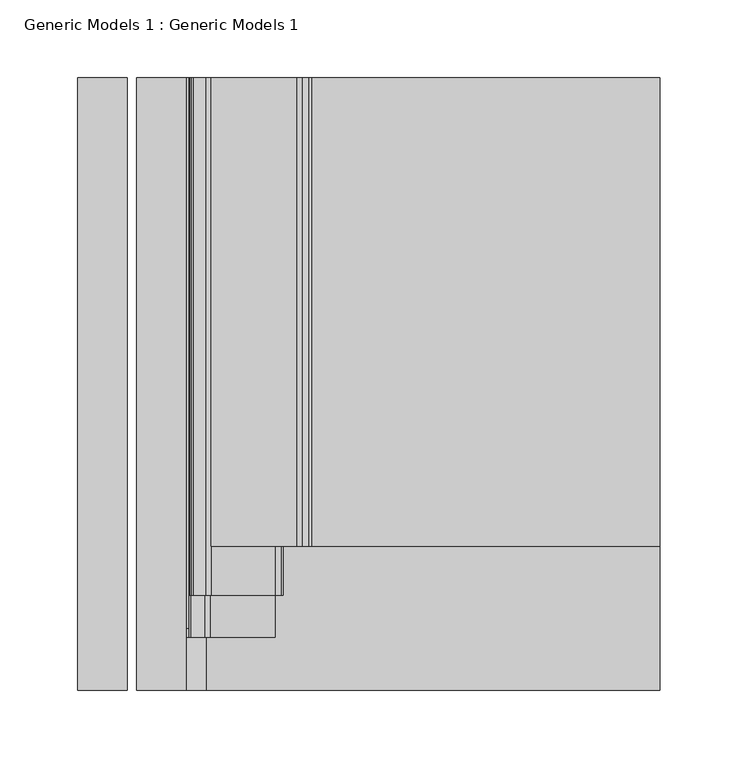
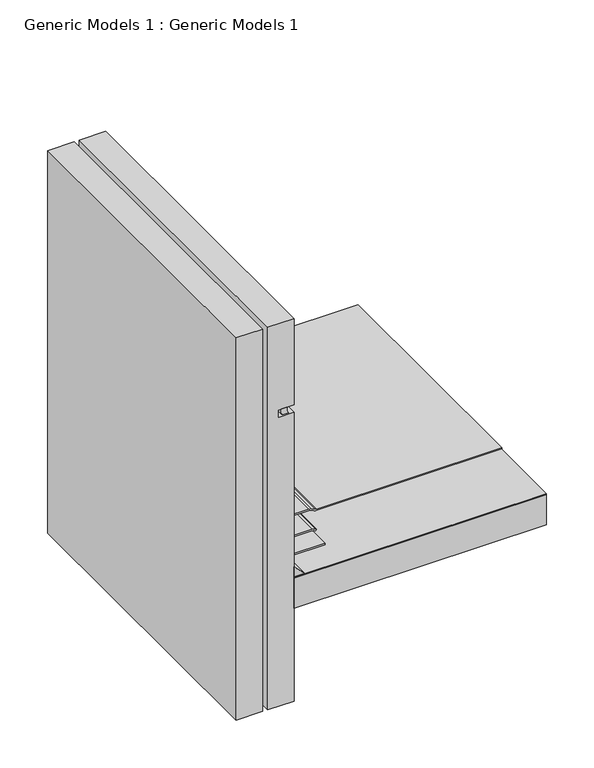
"""IFC4 building model written with IfcOpenShell, lengths in millimetres: proxy geometry, Generic Models 1 : Generic Models 1."""

import ifcopenshell
import ifcopenshell.guid

model = None  # the IFC model being written
_history = None  # IfcOwnerHistory: only IFC2X3 demands one
_inside = {}  # id of a spatial element -> (the spatial element, [elements in it])
_under = {}  # id of a project, library or spatial element -> (it, [spatial elements below it])
_declared = {}  # id of a project -> (the project, [libraries it declares])
_typed = {}  # id of a type object -> (the type object, [elements of that type])
_made_of = {}  # id of a material, layer set ... -> (it, [elements and type objects made of it])


def new_model(schema):
    """Start an empty IFC model of exactly this schema.

    Asked for "IFC4X3", IfcOpenShell would pick the latest addendum, in which some entities
    have other attributes; the version numbers below select the first issue.
    IFC2X3 requires an IfcOwnerHistory on every rooted entity: one is made here for all.
    """
    global model, _history
    if schema == "IFC4X3":
        model = ifcopenshell.file(schema_version=(4, 3, 0, 0))
    else:
        model = ifcopenshell.file(schema=schema)
    _inside.clear()
    _under.clear()
    _declared.clear()
    _typed.clear()
    _made_of.clear()
    _history = None
    if model.schema == "IFC2X3":
        org = make("IfcOrganization", Name="unknown")
        user = make(
            "IfcPersonAndOrganization",
            ThePerson=make("IfcPerson", FamilyName="unknown"),
            TheOrganization=org,
        )
        app = make(
            "IfcApplication",
            ApplicationDeveloper=org,
            Version="unknown",
            ApplicationFullName="unknown",
            ApplicationIdentifier="unknown",
        )
        _history = make(
            "IfcOwnerHistory",
            OwningUser=user,
            OwningApplication=app,
            ChangeAction="ADDED",
            CreationDate=0,
        )
    return model


def make(cls, **values):
    """One entity of the class cls with the attributes given. An attribute that is None is left unset."""
    return model.create_entity(
        cls, **{name: value for name, value in values.items() if value is not None}
    )


def rooted(cls, **values):
    """An entity with a GlobalId (a new one), such as an element, a storey or a relation."""
    return make(cls, GlobalId=ifcopenshell.guid.new(), OwnerHistory=_history, **values)


def si_unit(unit_type, name, prefix=None):
    """IfcSIUnit, for example si_unit("LENGTHUNIT", "METRE", prefix="MILLI")."""
    return make("IfcSIUnit", UnitType=unit_type, Prefix=prefix, Name=name)


def assignment(units):
    """IfcUnitAssignment: the units of a project."""
    return None if units is None else make("IfcUnitAssignment", Units=units)


def point(xyz):
    """IfcCartesianPoint."""
    return None if xyz is None else make("IfcCartesianPoint", Coordinates=xyz)


def direction(xyz):
    """IfcDirection."""
    return None if xyz is None else make("IfcDirection", DirectionRatios=xyz)


def frame(location, z_axis=None, x_axis=None):
    """IfcAxis2Placement3D, a coordinate frame: its origin and axes. An axis left out is left unset."""
    return make(
        "IfcAxis2Placement3D",
        Location=point(location),
        Axis=direction(z_axis),
        RefDirection=direction(x_axis),
    )


def frame_2d(location, x_axis=None):
    """IfcAxis2Placement2D, a coordinate frame in the plane: its origin and x axis."""
    return make(
        "IfcAxis2Placement2D", Location=point(location), RefDirection=direction(x_axis)
    )


def origin():
    """The frame at (0, 0, 0) with its axes left unset."""
    return frame((0.0, 0.0, 0.0))


def place(relative_to, where):
    """IfcLocalPlacement: puts the frame where relative to a parent placement (None: the world)."""
    return make(
        "IfcLocalPlacement", PlacementRelTo=relative_to, RelativePlacement=where
    )


def context(
    kind, dimensions, precision=None, world=None, true_north=None, identifier=None
):
    """IfcGeometricRepresentationContext, for example the 3D "Model" context."""
    return make(
        "IfcGeometricRepresentationContext",
        ContextIdentifier=identifier,
        ContextType=kind,
        CoordinateSpaceDimension=dimensions,
        Precision=precision,
        WorldCoordinateSystem=world,
        TrueNorth=true_north,
    )


def project(units=None, contexts=None):
    """IfcProject with its units and contexts."""
    return rooted(
        "IfcProject",
        Name="project",
        RepresentationContexts=contexts,
        UnitsInContext=assignment(units),
    )


def spatial(cls, under=None, at=None, **own):
    """A site, building, storey or space (cls), placed at a placement, below another one or the project."""
    s = rooted(cls, ObjectPlacement=at, **own)
    if under is not None:
        _under.setdefault(under.id(), (under, []))[1].append(s)
    return s


def polyline(points):
    """IfcPolyline through the points."""
    return make("IfcPolyline", Points=[point(p) for p in points])


def circle_curve(where, radius):
    """IfcCircle in the frame where."""
    return make("IfcCircle", Position=where, Radius=radius)


def trimmed(basis, trim1, trim2, sense, master):
    """IfcTrimmedCurve: the piece of a basis curve between two trims."""
    return make(
        "IfcTrimmedCurve",
        BasisCurve=basis,
        Trim1=trim1,
        Trim2=trim2,
        SenseAgreement=sense,
        MasterRepresentation=master,
    )


def segment(curve, same_sense, transition):
    """IfcCompositeCurveSegment."""
    return make(
        "IfcCompositeCurveSegment",
        Transition=transition,
        SameSense=same_sense,
        ParentCurve=curve,
    )


def composite_curve(segments, self_intersect=None):
    """IfcCompositeCurve: segments joined end to end."""
    return make("IfcCompositeCurve", Segments=segments, SelfIntersect=self_intersect)


def outline(outer, holes=None, kind="AREA"):
    """IfcArbitraryClosedProfileDef: a profile drawn as a closed curve; with holes, ...WithVoids."""
    if holes is None:
        return make("IfcArbitraryClosedProfileDef", ProfileType=kind, OuterCurve=outer)
    return make(
        "IfcArbitraryProfileDefWithVoids",
        ProfileType=kind,
        OuterCurve=outer,
        InnerCurves=holes,
    )


def extrude(swept, where, along, depth):
    """IfcExtrudedAreaSolid: the profile swept, set in the frame where, extruded along a direction by depth."""
    return make(
        "IfcExtrudedAreaSolid",
        SweptArea=swept,
        Position=where,
        ExtrudedDirection=direction(along),
        Depth=depth,
    )


def faces_of(points, faces, orient=None, outer=None):
    """IfcFace entities. A face is a list of loops; a loop is a list of indices into points, from 0.

    orient and outer hold one flag for each loop. By default every Orientation is true, the
    first loop of a face is its IfcFaceOuterBound and the others are IfcFaceBound.
    """
    made = []
    for i, loops in enumerate(faces):
        bounds = []
        for j, loop in enumerate(loops):
            is_outer = j == 0 if outer is None else outer[i][j]
            bounds.append(
                make(
                    "IfcFaceOuterBound" if is_outer else "IfcFaceBound",
                    Bound=make("IfcPolyLoop", Polygon=[points[k] for k in loop]),
                    Orientation=True if orient is None else orient[i][j],
                )
            )
        made.append(make("IfcFace", Bounds=bounds))
    return made


def faceted_brep(points, faces, orient=None, outer=None, voids=None):
    """IfcFacetedBrep: a solid bounded by flat faces; with voids (closed shells), ...WithVoids."""
    shared = [point(p) for p in points]
    hull = make("IfcClosedShell", CfsFaces=faces_of(shared, faces, orient, outer))
    if voids is None:
        return make("IfcFacetedBrep", Outer=hull)
    return make(
        "IfcFacetedBrepWithVoids",
        Outer=hull,
        Voids=[
            make(cls, CfsFaces=faces_of(shared, fs, o, b)) for cls, fs, o, b in voids
        ],
    )


def shape(context_of_items, identifier, shape_type, items):
    """IfcShapeRepresentation: the items that make up one representation, for example the "Body"."""
    return make(
        "IfcShapeRepresentation",
        ContextOfItems=context_of_items,
        RepresentationIdentifier=identifier,
        RepresentationType=shape_type,
        Items=items,
    )


def source(mapping_origin, context_of_items, identifier, shape_type, items):
    """IfcRepresentationMap: a shape defined once, which mapped items show again and again."""
    return make(
        "IfcRepresentationMap",
        MappingOrigin=mapping_origin,
        MappedRepresentation=shape(context_of_items, identifier, shape_type, items),
    )


def transform(
    local_origin,
    x_axis=None,
    y_axis=None,
    z_axis=None,
    scale=None,
    scale2=None,
    scale3=None,
    uniform=True,
):
    """IfcCartesianTransformationOperator3D, or its non-uniform kind. x_axis, y_axis, z_axis: its Axis1, 2, 3."""
    if uniform:
        return make(
            "IfcCartesianTransformationOperator3D",
            Axis1=direction(x_axis),
            Axis2=direction(y_axis),
            LocalOrigin=point(local_origin),
            Scale=scale,
            Axis3=direction(z_axis),
        )
    return make(
        "IfcCartesianTransformationOperator3DnonUniform",
        Axis1=direction(x_axis),
        Axis2=direction(y_axis),
        LocalOrigin=point(local_origin),
        Scale=scale,
        Axis3=direction(z_axis),
        Scale2=scale2,
        Scale3=scale3,
    )


def mapped(mapping_source, mapping_target):
    """IfcMappedItem: shows the shape of a source again, moved by a transform."""
    return make(
        "IfcMappedItem", MappingSource=mapping_source, MappingTarget=mapping_target
    )


def made_of(thing, what):
    """Note that an element or type object is made of a material, layer set ...; save() writes the relation."""
    if what is not None:
        _made_of.setdefault(what.id(), (what, []))[1].append(thing)
    return thing


def element(
    cls,
    number,
    at=None,
    inside=None,
    cuts=None,
    type_object=None,
    material=None,
    context=None,
    identifier="Body",
    shape_type=None,
    held_by="IfcProductDefinitionShape",
    body=None,
    shapes=None,
    **own,
):
    """One element of the class cls, such as IfcWall. Its Tag is "e" and its number.

    at: its placement. inside: the storey or other place that contains it. cuts: it is an
    opening in that element (IfcRelVoidsElement). A single representation is given by context,
    identifier, shape_type and body (its items); several are given by shapes. held_by: the class
    of the entity that holds the representations. save() writes the other relations.
    """
    e = rooted(cls, Tag="e%d" % number, ObjectPlacement=at, **own)
    if body is not None:
        shapes = [shape(context, identifier, shape_type, body)]
    if shapes is not None:
        e.Representation = make(held_by, Representations=shapes)
    if inside is not None:
        _inside.setdefault(inside.id(), (inside, []))[1].append(e)
    if cuts is not None:
        rooted(
            "IfcRelVoidsElement", RelatingBuildingElement=cuts, RelatedOpeningElement=e
        )
    if type_object is not None:
        _typed.setdefault(type_object.id(), (type_object, []))[1].append(e)
    return made_of(e, material)


def aggregate(whole, parts):
    """IfcRelAggregates: a whole, such as a stair, and the parts it consists of."""
    return rooted("IfcRelAggregates", RelatingObject=whole, RelatedObjects=parts)


def save(model, path):
    """Write the relations noted so far, then the file.

    IfcRelAggregates (storeys below a building ...), IfcRelContainedInSpatialStructure (elements
    in a storey), IfcRelDefinesByType, IfcRelAssociatesMaterial and IfcRelDeclares: one each for
    every whole, place, type object, material and project.
    """
    for whole, parts in _under.values():
        aggregate(whole, parts)
    for where, things in _inside.values():
        rooted(
            "IfcRelContainedInSpatialStructure",
            RelatedElements=things,
            RelatingStructure=where,
        )
    for kind, things in _typed.values():
        rooted("IfcRelDefinesByType", RelatedObjects=things, RelatingType=kind)
    for what, things in _made_of.values():
        rooted("IfcRelAssociatesMaterial", RelatedObjects=things, RelatingMaterial=what)
    for by, libraries in _declared.values():
        rooted("IfcRelDeclares", RelatingContext=by, RelatedDefinitions=libraries)
    model.write(path)


def generic_models_1_generic_models_1_cf137523(model_context):
    return source(origin(), model_context, "Body", "SolidModel", [
        extrude(outline(composite_curve([segment(polyline([(409.575, 74.5171426), (409.575, 67.3036893)]), True, "CONTINUOUS"), segment(trimmed(circle_curve(frame_2d((406.9682834, 75.9374422)), 9.018684), [point((409.575, 67.3036893))], [point((401.6375, 68.6628695))], False, "CARTESIAN"), True, "CONTINUOUS"), segment(polyline([(401.6375, 68.6628695), (401.6375, 76.1046426)]), True, "CONTINUOUS"), segment(trimmed(circle_curve(frame_2d((407.6417844, 85.4885646)), 11.1404409), [point((401.6375, 76.1046426))], [point((409.575, 74.5171426))], True, "CARTESIAN"), True, "CONTINUOUS")], self_intersect=False)), frame((0.0, 0.0, 0.0), z_axis=(0.0, 1.0, 0.0), x_axis=(0.0, 0.0, 1.0)), (0.0, 0.0, 1.0), 393.8469389),
        extrude(outline(polyline([(82.55, 393.8469389), (387.35, 393.8469389), (387.35, 0.0), (82.55, 0.0), (82.55, 393.8469389)])), frame((0.0, 0.0, 188.9125), z_axis=(0.0, 0.0, 1.0), x_axis=(1.0, 0.0, 0.0)), (0.0, 0.0, 1.0), 0.79375),
        extrude(outline(composite_curve([segment(polyline([(409.575, 82.55), (409.575, 75.3365467)]), True, "CONTINUOUS"), segment(trimmed(circle_curve(frame_2d((406.9682834, 83.9702996)), 9.018684), [point((409.575, 75.3365467))], [point((401.6375, 76.6957268))], False, "CARTESIAN"), True, "CONTINUOUS"), segment(polyline([(401.6375, 76.6957268), (401.6375, 84.1375)]), True, "CONTINUOUS"), segment(trimmed(circle_curve(frame_2d((407.6417844, 93.521422)), 11.1404409), [point((401.6375, 84.1375))], [point((409.575, 82.55))], True, "CARTESIAN"), True, "CONTINUOUS")], self_intersect=False)), frame((0.0, 39.8923794, 0.0), z_axis=(0.0, 1.0, 0.0), x_axis=(0.0, 0.0, 1.0)), (0.0, 0.0, 1.0), 353.9545595),
        extrude(outline(composite_curve([segment(trimmed(circle_curve(frame_2d((187.325, 153.7084294)), 6.35), [point((193.675, 153.7084294))], [point((193.0800544, 156.3920554))], True, "CARTESIAN"), True, "CONTINUOUS"), segment(polyline([(193.0800544, 156.3920554), (191.0949456, 160.6491351)]), True, "CONTINUOUS"), segment(trimmed(circle_curve(frame_2d((196.85, 163.3327611)), 6.35), [point((191.0949456, 160.6491351))], [point((190.5, 163.3327611))], False, "CARTESIAN"), True, "CONTINUOUS"), segment(polyline([(190.5, 163.3327611), (190.5, 387.35), (192.0875, 387.35), (192.0875, 163.3327611)]), True, "CONTINUOUS"), segment(trimmed(circle_curve(frame_2d((196.85, 163.3327611)), 4.7625), [point((192.0875, 163.3327611))], [point((192.5337092, 161.3200416))], True, "CARTESIAN"), True, "CONTINUOUS"), segment(polyline([(192.5337092, 161.3200416), (194.5188181, 157.0629619)]), True, "CONTINUOUS"), segment(trimmed(circle_curve(frame_2d((187.325, 153.7084294)), 7.9375), [point((194.5188181, 157.0629619))], [point((195.2625, 153.7084294))], False, "CARTESIAN"), True, "CONTINUOUS"), segment(polyline([(195.2625, 153.7084294), (195.2625, 98.5378202), (193.675, 98.5378202), (193.675, 153.7084294)]), True, "CONTINUOUS")], self_intersect=False)), frame((0.0, 92.6863112, 0.0), z_axis=(0.0, 1.0, 0.0), x_axis=(0.0, 0.0, 1.0)), (0.0, 0.0, 1.0), 301.1606278),
        extrude(outline(composite_curve([segment(polyline([(400.05, 82.55), (236.8806049, 82.55)]), True, "CONTINUOUS"), segment(trimmed(circle_curve(frame_2d((236.8806049, 88.9)), 6.35), [point((236.8806049, 82.55))], [point((233.8064244, 83.34375))], False, "CARTESIAN"), True, "CONTINUOUS"), segment(trimmed(circle_curve(frame_2d((230.7322439, 77.7875)), 6.35), [point((233.8064244, 83.34375))], [point((230.7322439, 84.1375))], True, "CARTESIAN"), True, "CONTINUOUS"), segment(polyline([(230.7322439, 84.1375), (206.4878202, 84.1375)]), True, "CONTINUOUS"), segment(trimmed(circle_curve(frame_2d((206.4878202, 90.4875)), 6.35), [point((206.4878202, 84.1375))], [point((201.9976921, 85.9973719))], False, "CARTESIAN"), True, "CONTINUOUS"), segment(polyline([(201.9976921, 85.9973719), (193.9473719, 94.0476921)]), True, "CONTINUOUS"), segment(trimmed(circle_curve(frame_2d((198.4375, 98.5378202)), 6.35), [point((193.9473719, 94.0476921))], [point((192.0875, 98.5378202))], False, "CARTESIAN"), True, "CONTINUOUS"), segment(polyline([(192.0875, 98.5378202), (192.0875, 139.6852414)]), True, "CONTINUOUS"), segment(trimmed(circle_curve(frame_2d((185.7375, 139.6852414)), 6.35), [point((192.0875, 139.6852414))], [point((191.2367613, 142.8602414))], True, "CARTESIAN"), True, "CONTINUOUS"), segment(polyline([(191.2367613, 142.8602414), (190.5, 144.1363494), (191.8748153, 144.9300994), (192.6115766, 143.6539914)]), True, "CONTINUOUS"), segment(trimmed(circle_curve(frame_2d((185.7375, 139.6852414)), 7.9375), [point((192.6115766, 143.6539914))], [point((193.675, 139.6852414))], False, "CARTESIAN"), True, "CONTINUOUS"), segment(polyline([(193.675, 139.6852414), (193.675, 98.5378202)]), True, "CONTINUOUS"), segment(trimmed(circle_curve(frame_2d((198.4375, 98.5378202)), 4.7625), [point((193.675, 98.5378202))], [point((195.069904, 95.1702241))], True, "CARTESIAN"), True, "CONTINUOUS"), segment(polyline([(195.069904, 95.1702241), (203.1202241, 87.119904)]), True, "CONTINUOUS"), segment(trimmed(circle_curve(frame_2d((206.4878202, 90.4875)), 4.7625), [point((203.1202241, 87.119904))], [point((206.4878202, 85.725))], True, "CARTESIAN"), True, "CONTINUOUS"), segment(polyline([(206.4878202, 85.725), (230.7322439, 85.725)]), True, "CONTINUOUS"), segment(trimmed(circle_curve(frame_2d((230.7322439, 77.7875)), 7.9375), [point((230.7322439, 85.725))], [point((234.5749695, 84.7328125))], False, "CARTESIAN"), True, "CONTINUOUS"), segment(trimmed(circle_curve(frame_2d((236.8806049, 88.9)), 4.7625), [point((234.5749695, 84.7328125))], [point((236.8806049, 84.1375))], True, "CARTESIAN"), True, "CONTINUOUS"), segment(polyline([(236.8806049, 84.1375), (401.6375, 84.1375), (401.6375, 63.5), (400.05, 63.5), (400.05, 82.55)]), True, "CONTINUOUS")], self_intersect=False)), frame((0.0, 60.9418638, 0.0), z_axis=(0.0, 1.0, 0.0), x_axis=(0.0, 0.0, 1.0)), (0.0, 0.0, 1.0), 332.9050752),
        faceted_brep([(82.55, 393.8469389, 31.75), (50.8, 393.8469389, 31.75), (50.8, 393.8469389, 519.7623023), (82.55, 393.8469389, 519.7623023), (82.55, 0.0, 519.7623023), (50.8, 0.0, 519.7623023), (50.8, 0.0, 31.75), (82.55, 0.0, 31.75), (82.55, 0.0, 400.05), (63.5, 0.0, 400.05), (63.5, 0.0, 409.575), (82.55, 0.0, 409.575), (82.55, 261.3017557, 409.575), (82.55, 261.3017557, 400.05), (63.5, 261.3017557, 409.575), (63.5, 261.3017557, 400.05)], [[[0, 1, 2, 3]], [[4, 5, 6, 7, 8, 9, 10, 11]], [[0, 3, 4, 11, 12, 13, 8, 7]], [[3, 2, 5, 4]], [[2, 1, 6, 5]], [[1, 0, 7, 6]], [[12, 14, 15, 13]], [[13, 15, 9, 8]], [[15, 14, 10, 9]], [[14, 12, 11, 10]]]),
        extrude(outline(composite_curve([segment(trimmed(circle_curve(frame_2d((205.8302561, 88.9)), 6.35), [point((205.8302561, 82.55))], [point((201.3401281, 84.4098719))], False, "CARTESIAN"), True, "CONTINUOUS"), segment(polyline([(201.3401281, 84.4098719), (192.3598719, 93.3901281)]), True, "CONTINUOUS"), segment(trimmed(circle_curve(frame_2d((196.85, 97.8802561)), 6.35), [point((192.3598719, 93.3901281))], [point((190.5, 97.8802561))], False, "CARTESIAN"), True, "CONTINUOUS"), segment(polyline([(190.5, 97.8802561), (190.5, 139.7), (192.0875, 139.7), (192.0875, 97.8802561)]), True, "CONTINUOUS"), segment(trimmed(circle_curve(frame_2d((196.85, 97.8802561)), 4.7625), [point((192.0875, 97.8802561))], [point((193.482404, 94.5126601))], True, "CARTESIAN"), True, "CONTINUOUS"), segment(polyline([(193.482404, 94.5126601), (202.4626601, 85.532404)]), True, "CONTINUOUS"), segment(trimmed(circle_curve(frame_2d((205.8302561, 88.9)), 4.7625), [point((202.4626601, 85.532404))], [point((205.8302561, 84.1375))], True, "CARTESIAN"), True, "CONTINUOUS"), segment(polyline([(205.8302561, 84.1375), (228.6, 84.1375), (228.6, 82.55), (205.8302561, 82.55)]), True, "CONTINUOUS")], self_intersect=False)), frame((0.0, 34.1351637, 0.0), z_axis=(0.0, 1.0, 0.0), x_axis=(0.0, 0.0, 1.0)), (0.0, 0.0, 1.0), 359.7117752),
        extrude(outline(polyline([(203.2, 82.55), (190.5, 82.55), (190.5, 95.25), (203.2, 82.55)])), frame((0.0, 0.0, 0.0), z_axis=(0.0, 1.0, 0.0), x_axis=(0.0, 0.0, 1.0)), (0.0, 0.0, 1.0), 393.8469389),
        extrude(outline(polyline([(82.55, 261.3017557), (387.35, 261.3017557), (387.35, 0.0), (82.55, 0.0), (82.55, 261.3017557)])), frame((0.0, 0.0, 150.01875), z_axis=(0.0, 0.0, 1.0), x_axis=(1.0, 0.0, 0.0)), (0.0, 0.0, 1.0), 38.1),
        extrude(outline(polyline([(44.45, 0.0), (12.7, 0.0), (12.7, 393.8469389), (44.45, 393.8469389), (44.45, 0.0)])), frame((0.0, 0.0, 31.75), z_axis=(0.0, 0.0, 1.0), x_axis=(1.0, 0.0, 0.0)), (0.0, 0.0, 1.0), 488.0123023),
    ])


if __name__ == "__main__":
    model = new_model("IFC4")
    model_context = context("Model", 3, world=origin())
    ifc_project = project(units=[si_unit("LENGTHUNIT", "METRE", prefix="MILLI")], contexts=[model_context])
    site = spatial("IfcSite", under=ifc_project)
    building = spatial("IfcBuilding", under=site)
    placement = place(None, origin())
    generic_models_1_generic_models_1_shape = generic_models_1_generic_models_1_cf137523(model_context)
    element("IfcBuildingElementProxy", 1, Name="Generic Models 1 : Generic Models 1", ObjectType="Generic Models 1 : Generic Models 1", at=placement, inside=building, context=model_context, shape_type="MappedRepresentation", body=[
        mapped(generic_models_1_generic_models_1_shape, transform((0.0, 0.0, 0.0), x_axis=(1.0, 0.0, 0.0), y_axis=(0.0, 1.0, 0.0), z_axis=(0.0, 0.0, 1.0))),
    ])
    save(model, "model.ifc")
